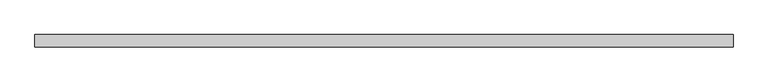
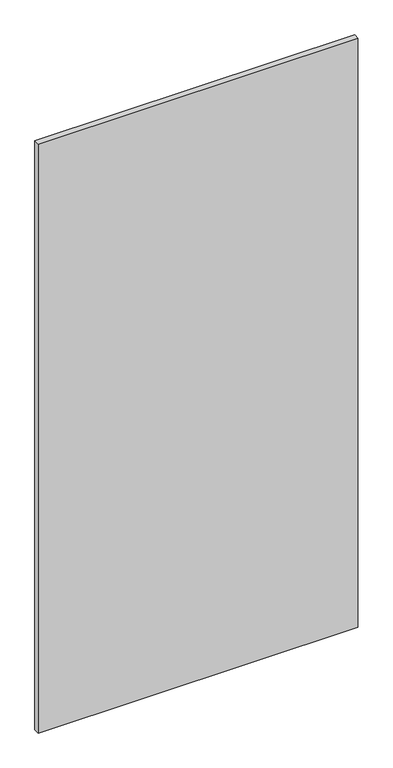
"""IFC4 building model written with IfcOpenShell, lengths in millimetres: proxy geometry."""

from ifc_helpers import new_model, si_unit, frame, origin, place, context, project, spatial, polyline, outline, extrude, source, transform, mapped, element, save


def specialty_equipment_6840c5fb(model_context):
    return source(origin(), model_context, "Body", "SweptSolid", [
        extrude(outline(polyline([(546.1, -9.525), (-546.1, -9.525), (-546.1, 9.525), (546.1, 9.525), (546.1, -9.525)])), frame((0.0, 0.0, 3.175), z_axis=(0.0, 0.0, 1.0), x_axis=(1.0, 0.0, 0.0)), (0.0, 0.0, 1.0), 2127.25),
    ])


if __name__ == "__main__":
    model = new_model("IFC4")
    model_context = context("Model", 3, world=origin())
    ifc_project = project(units=[si_unit("LENGTHUNIT", "METRE", prefix="MILLI")], contexts=[model_context])
    site = spatial("IfcSite", under=ifc_project)
    building = spatial("IfcBuilding", under=site)
    placement = place(None, origin())
    specialty_equipment_shape = specialty_equipment_6840c5fb(model_context)
    element("IfcBuildingElementProxy", 1, Name="Specialty Equipment", at=placement, inside=building, context=model_context, shape_type="MappedRepresentation", body=[
        mapped(specialty_equipment_shape, transform((0.0, 0.0, 0.0), x_axis=(1.0, 0.0, 0.0), y_axis=(0.0, 1.0, 0.0), z_axis=(0.0, 0.0, 1.0))),
    ])
    save(model, "model.ifc")
